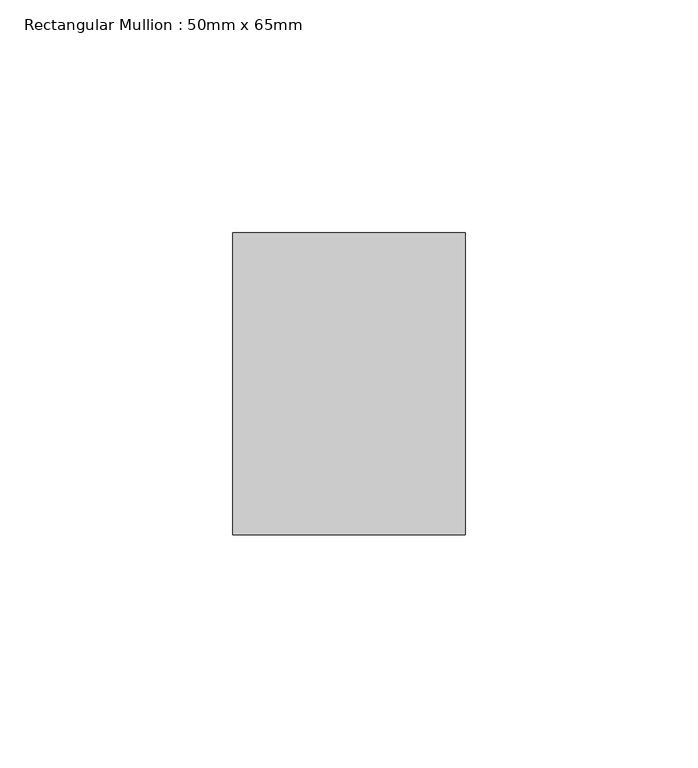
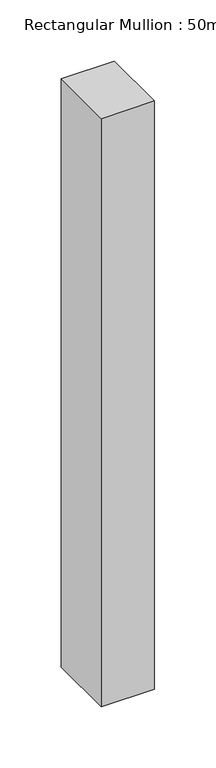
"""IFC4 building model written with IfcOpenShell, lengths in millimetres: member geometry, Rectangular Mullion : 50mm x 65mm."""

from ifc_helpers import new_model, si_unit, frame, origin, place, context, project, spatial, polyline, outline, extrude, source, transform, mapped, element, save


def rectangular_mullion_50mm_x_65mm_44e2ab4a(model_context):
    return source(origin(), model_context, "Body", "SweptSolid", [
        extrude(outline(polyline([(25.0, 32.5), (25.0, -32.5), (-25.0, -32.5), (-25.0, 32.5), (25.0, 32.5)])), frame((0.0, 0.0, -585.2033757), z_axis=(0.0, 0.0, 1.0), x_axis=(1.0, 0.0, 0.0)), (0.0, 0.0, 1.0), 585.2033757),
    ])


if __name__ == "__main__":
    model = new_model("IFC4")
    model_context = context("Model", 3, world=origin())
    ifc_project = project(units=[si_unit("LENGTHUNIT", "METRE", prefix="MILLI")], contexts=[model_context])
    site = spatial("IfcSite", under=ifc_project)
    building = spatial("IfcBuilding", under=site)
    placement = place(None, origin())
    rectangular_mullion_50mm_x_65mm_shape = rectangular_mullion_50mm_x_65mm_44e2ab4a(model_context)
    element("IfcMember", 1, ObjectType="Rectangular Mullion : 50mm x 65mm", at=placement, inside=building, context=model_context, shape_type="MappedRepresentation", body=[
        mapped(rectangular_mullion_50mm_x_65mm_shape, transform((0.0, 0.0, 0.0), x_axis=(1.0, 0.0, 0.0), y_axis=(0.0, 1.0, 0.0), z_axis=(0.0, 0.0, 1.0))),
    ])
    save(model, "model.ifc")
